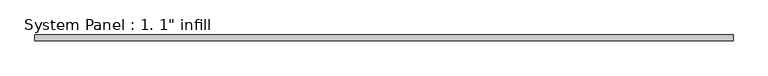
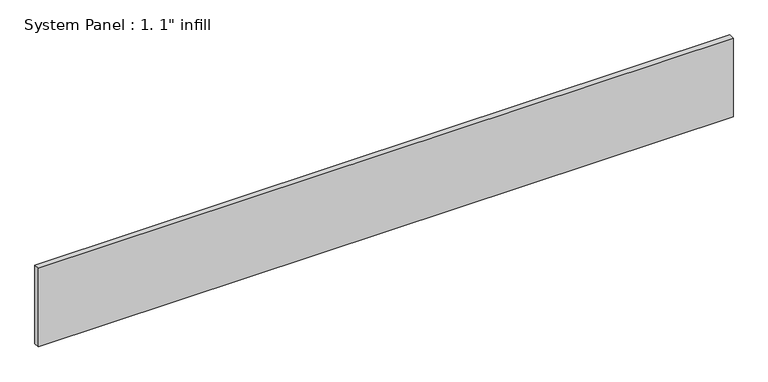
"""IFC4 building model written with IfcOpenShell, lengths in millimetres: plate geometry."""

import ifcopenshell
import ifcopenshell.guid

model = None  # the IFC model being written
_history = None  # IfcOwnerHistory: only IFC2X3 demands one
_inside = {}  # id of a spatial element -> (the spatial element, [elements in it])
_under = {}  # id of a project, library or spatial element -> (it, [spatial elements below it])
_declared = {}  # id of a project -> (the project, [libraries it declares])
_typed = {}  # id of a type object -> (the type object, [elements of that type])
_made_of = {}  # id of a material, layer set ... -> (it, [elements and type objects made of it])


def new_model(schema):
    """Start an empty IFC model of exactly this schema.

    Asked for "IFC4X3", IfcOpenShell would pick the latest addendum, in which some entities
    have other attributes; the version numbers below select the first issue.
    IFC2X3 requires an IfcOwnerHistory on every rooted entity: one is made here for all.
    """
    global model, _history
    if schema == "IFC4X3":
        model = ifcopenshell.file(schema_version=(4, 3, 0, 0))
    else:
        model = ifcopenshell.file(schema=schema)
    _inside.clear()
    _under.clear()
    _declared.clear()
    _typed.clear()
    _made_of.clear()
    _history = None
    if model.schema == "IFC2X3":
        org = make("IfcOrganization", Name="unknown")
        user = make(
            "IfcPersonAndOrganization",
            ThePerson=make("IfcPerson", FamilyName="unknown"),
            TheOrganization=org,
        )
        app = make(
            "IfcApplication",
            ApplicationDeveloper=org,
            Version="unknown",
            ApplicationFullName="unknown",
            ApplicationIdentifier="unknown",
        )
        _history = make(
            "IfcOwnerHistory",
            OwningUser=user,
            OwningApplication=app,
            ChangeAction="ADDED",
            CreationDate=0,
        )
    return model


def make(cls, **values):
    """One entity of the class cls with the attributes given. An attribute that is None is left unset."""
    return model.create_entity(
        cls, **{name: value for name, value in values.items() if value is not None}
    )


def rooted(cls, **values):
    """An entity with a GlobalId (a new one), such as an element, a storey or a relation."""
    return make(cls, GlobalId=ifcopenshell.guid.new(), OwnerHistory=_history, **values)


def si_unit(unit_type, name, prefix=None):
    """IfcSIUnit, for example si_unit("LENGTHUNIT", "METRE", prefix="MILLI")."""
    return make("IfcSIUnit", UnitType=unit_type, Prefix=prefix, Name=name)


def assignment(units):
    """IfcUnitAssignment: the units of a project."""
    return None if units is None else make("IfcUnitAssignment", Units=units)


def point(xyz):
    """IfcCartesianPoint."""
    return None if xyz is None else make("IfcCartesianPoint", Coordinates=xyz)


def direction(xyz):
    """IfcDirection."""
    return None if xyz is None else make("IfcDirection", DirectionRatios=xyz)


def frame(location, z_axis=None, x_axis=None):
    """IfcAxis2Placement3D, a coordinate frame: its origin and axes. An axis left out is left unset."""
    return make(
        "IfcAxis2Placement3D",
        Location=point(location),
        Axis=direction(z_axis),
        RefDirection=direction(x_axis),
    )


def origin():
    """The frame at (0, 0, 0) with its axes left unset."""
    return frame((0.0, 0.0, 0.0))


def origin_with_axes():
    """The frame at (0, 0, 0) with the z axis (0, 0, 1) and the x axis (1, 0, 0) written out."""
    return frame((0.0, 0.0, 0.0), z_axis=(0.0, 0.0, 1.0), x_axis=(1.0, 0.0, 0.0))


def place(relative_to, where):
    """IfcLocalPlacement: puts the frame where relative to a parent placement (None: the world)."""
    return make(
        "IfcLocalPlacement", PlacementRelTo=relative_to, RelativePlacement=where
    )


def context(
    kind, dimensions, precision=None, world=None, true_north=None, identifier=None
):
    """IfcGeometricRepresentationContext, for example the 3D "Model" context."""
    return make(
        "IfcGeometricRepresentationContext",
        ContextIdentifier=identifier,
        ContextType=kind,
        CoordinateSpaceDimension=dimensions,
        Precision=precision,
        WorldCoordinateSystem=world,
        TrueNorth=true_north,
    )


def project(units=None, contexts=None):
    """IfcProject with its units and contexts."""
    return rooted(
        "IfcProject",
        Name="project",
        RepresentationContexts=contexts,
        UnitsInContext=assignment(units),
    )


def spatial(cls, under=None, at=None, **own):
    """A site, building, storey or space (cls), placed at a placement, below another one or the project."""
    s = rooted(cls, ObjectPlacement=at, **own)
    if under is not None:
        _under.setdefault(under.id(), (under, []))[1].append(s)
    return s


def polyline(points):
    """IfcPolyline through the points."""
    return make("IfcPolyline", Points=[point(p) for p in points])


def outline(outer, holes=None, kind="AREA"):
    """IfcArbitraryClosedProfileDef: a profile drawn as a closed curve; with holes, ...WithVoids."""
    if holes is None:
        return make("IfcArbitraryClosedProfileDef", ProfileType=kind, OuterCurve=outer)
    return make(
        "IfcArbitraryProfileDefWithVoids",
        ProfileType=kind,
        OuterCurve=outer,
        InnerCurves=holes,
    )


def extrude(swept, where, along, depth):
    """IfcExtrudedAreaSolid: the profile swept, set in the frame where, extruded along a direction by depth."""
    return make(
        "IfcExtrudedAreaSolid",
        SweptArea=swept,
        Position=where,
        ExtrudedDirection=direction(along),
        Depth=depth,
    )


def shape(context_of_items, identifier, shape_type, items):
    """IfcShapeRepresentation: the items that make up one representation, for example the "Body"."""
    return make(
        "IfcShapeRepresentation",
        ContextOfItems=context_of_items,
        RepresentationIdentifier=identifier,
        RepresentationType=shape_type,
        Items=items,
    )


def source(mapping_origin, context_of_items, identifier, shape_type, items):
    """IfcRepresentationMap: a shape defined once, which mapped items show again and again."""
    return make(
        "IfcRepresentationMap",
        MappingOrigin=mapping_origin,
        MappedRepresentation=shape(context_of_items, identifier, shape_type, items),
    )


def transform(
    local_origin,
    x_axis=None,
    y_axis=None,
    z_axis=None,
    scale=None,
    scale2=None,
    scale3=None,
    uniform=True,
):
    """IfcCartesianTransformationOperator3D, or its non-uniform kind. x_axis, y_axis, z_axis: its Axis1, 2, 3."""
    if uniform:
        return make(
            "IfcCartesianTransformationOperator3D",
            Axis1=direction(x_axis),
            Axis2=direction(y_axis),
            LocalOrigin=point(local_origin),
            Scale=scale,
            Axis3=direction(z_axis),
        )
    return make(
        "IfcCartesianTransformationOperator3DnonUniform",
        Axis1=direction(x_axis),
        Axis2=direction(y_axis),
        LocalOrigin=point(local_origin),
        Scale=scale,
        Axis3=direction(z_axis),
        Scale2=scale2,
        Scale3=scale3,
    )


def mapped(mapping_source, mapping_target):
    """IfcMappedItem: shows the shape of a source again, moved by a transform."""
    return make(
        "IfcMappedItem", MappingSource=mapping_source, MappingTarget=mapping_target
    )


def made_of(thing, what):
    """Note that an element or type object is made of a material, layer set ...; save() writes the relation."""
    if what is not None:
        _made_of.setdefault(what.id(), (what, []))[1].append(thing)
    return thing


def element(
    cls,
    number,
    at=None,
    inside=None,
    cuts=None,
    type_object=None,
    material=None,
    context=None,
    identifier="Body",
    shape_type=None,
    held_by="IfcProductDefinitionShape",
    body=None,
    shapes=None,
    **own,
):
    """One element of the class cls, such as IfcWall. Its Tag is "e" and its number.

    at: its placement. inside: the storey or other place that contains it. cuts: it is an
    opening in that element (IfcRelVoidsElement). A single representation is given by context,
    identifier, shape_type and body (its items); several are given by shapes. held_by: the class
    of the entity that holds the representations. save() writes the other relations.
    """
    e = rooted(cls, Tag="e%d" % number, ObjectPlacement=at, **own)
    if body is not None:
        shapes = [shape(context, identifier, shape_type, body)]
    if shapes is not None:
        e.Representation = make(held_by, Representations=shapes)
    if inside is not None:
        _inside.setdefault(inside.id(), (inside, []))[1].append(e)
    if cuts is not None:
        rooted(
            "IfcRelVoidsElement", RelatingBuildingElement=cuts, RelatedOpeningElement=e
        )
    if type_object is not None:
        _typed.setdefault(type_object.id(), (type_object, []))[1].append(e)
    return made_of(e, material)


def aggregate(whole, parts):
    """IfcRelAggregates: a whole, such as a stair, and the parts it consists of."""
    return rooted("IfcRelAggregates", RelatingObject=whole, RelatedObjects=parts)


def save(model, path):
    """Write the relations noted so far, then the file.

    IfcRelAggregates (storeys below a building ...), IfcRelContainedInSpatialStructure (elements
    in a storey), IfcRelDefinesByType, IfcRelAssociatesMaterial and IfcRelDeclares: one each for
    every whole, place, type object, material and project.
    """
    for whole, parts in _under.values():
        aggregate(whole, parts)
    for where, things in _inside.values():
        rooted(
            "IfcRelContainedInSpatialStructure",
            RelatedElements=things,
            RelatingStructure=where,
        )
    for kind, things in _typed.values():
        rooted("IfcRelDefinesByType", RelatedObjects=things, RelatingType=kind)
    for what, things in _made_of.values():
        rooted("IfcRelAssociatesMaterial", RelatedObjects=things, RelatingMaterial=what)
    for by, libraries in _declared.values():
        rooted("IfcRelDeclares", RelatingContext=by, RelatedDefinitions=libraries)
    model.write(path)


def plate_c9e7d87a(model_context):
    return source(origin(), model_context, "Body", "SweptSolid", [
        extrude(outline(polyline([(1524.0, -12.7), (-1524.0, -12.7), (-1524.0, 12.7), (1524.0, 12.7), (1524.0, -12.7)])), origin_with_axes(), (0.0, 0.0, 1.0), 364.1799161),
    ])


if __name__ == "__main__":
    model = new_model("IFC4")
    model_context = context("Model", 3, world=origin())
    ifc_project = project(units=[si_unit("LENGTHUNIT", "METRE", prefix="MILLI")], contexts=[model_context])
    site = spatial("IfcSite", under=ifc_project)
    building = spatial("IfcBuilding", under=site)
    placement = place(None, origin())
    plate_shape = plate_c9e7d87a(model_context)
    element("IfcPlate", 1, ObjectType="System Panel : 1. 1\" infill", at=placement, inside=building, context=model_context, shape_type="MappedRepresentation", body=[
        mapped(plate_shape, transform((0.0, 0.0, 0.0), x_axis=(1.0, 0.0, 0.0), y_axis=(0.0, 1.0, 0.0), z_axis=(0.0, 0.0, 1.0))),
    ])
    save(model, "model.ifc")
